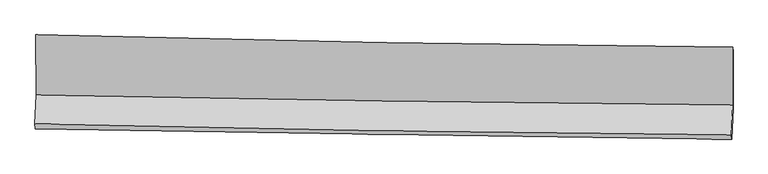
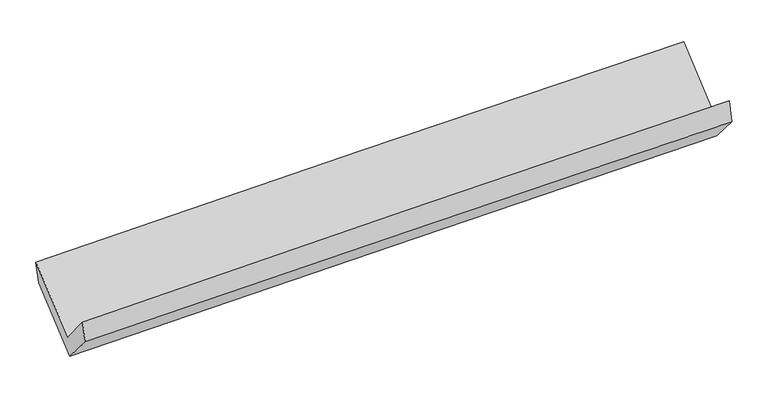
"""IFC4 building model written with IfcOpenShell, lengths in millimetres: proxy geometry."""

from ifc_helpers import new_model, si_unit, frame, origin, place, context, project, spatial, source, transform, mapped, element, save
from ifc_brep_helpers import plane_surface, spline_curve, spline_surface, advanced_brep


def generic_models_e8f4f929(model_context):
    return source(origin(), model_context, "Body", "AdvancedBrep", [
        advanced_brep(
        [(-3021.0117574, -1151.9099579, 2160.6242488), (-3019.6903096, -1672.3548408, 1731.2347327), (3009.737215, -1762.5334112, 1875.8610825), (3008.8326076, -1259.6602047, 2310.2133921), (-3030.1906818, -1925.0893003, 2038.7867535), (2999.1171622, -2018.4328237, 2187.2645521), (-3027.1606605, -1968.489515, 1867.7419115), (3002.3746969, -2057.1503311, 2000.6384044), (-3016.1880353, -1693.4946014, 1554.064459), (3012.9563869, -1792.0410578, 1698.2371808), (-3017.7431381, -1191.3193443, 1981.3515129), (3012.1928857, -1293.7348736, 2122.2591085)],
        [
            (0, 1),
            (1, 2, spline_curve(3, [(-3019.6903096, -1672.3548408, 1731.2347327), (-2015.149632502, -1694.349528031, 1766.98770088), (-1010.414058258, -1712.86185632, 1796.916541117), (999.395136345, -1742.921020948, 1845.124724468), (2004.468737357, -1754.468216295, 1863.404667534), (3009.737215, -1762.5334112, 1875.8610825)], [4, 2, 4], [0.0, 9.895981117621348, 19.791452665143467])),
            (2, 3),
            (3, 0, spline_curve(3, [(3008.8326076, -1259.6602047, 2310.2133921), (2003.381413704, -1251.793323291, 2300.933520806), (998.181717431, -1238.881056592, 2283.828345436), (-1011.766430322, -1202.964827274, 2233.966103962), (-2016.514855504, -1179.960345305, 2201.208231104), (-3021.0117574, -1151.9099579, 2160.6242488)], [4, 2, 4], [0.0, 9.895471547522119, 19.791452665143467])),
            (1, 4),
            (4, 5, spline_curve(3, [(-3030.1906818, -1925.0893003, 2038.7867535), (-2025.801522717, -1950.78623715, 2079.044988026), (-1021.151679691, -1971.413402599, 2111.547374169), (988.617628604, -2002.52738811, 2161.039174967), (1993.73706688, -2013.01473081, 2178.029388579), (2999.1171622, -2018.4328237, 2187.2645521)], [4, 2, 4], [0.0, 9.895330422409153, 19.790151308225084])),
            (5, 2),
            (4, 6),
            (6, 7, spline_curve(3, [(-3027.1606605, -1968.489515, 1867.7419115), (-2022.339319125, -1985.009931451, 1892.896668432), (-1017.454429938, -2000.658708952, 1916.549001366), (992.390695499, -2030.212224734, 1960.847677477), (1997.350925649, -2044.117052622, 1981.49417581), (3002.3746969, -2057.1503311, 2000.6384044)], [4, 2, 4], [0.0, 9.895004263656178, 19.789499007513907])),
            (7, 5),
            (6, 8),
            (8, 9, spline_curve(3, [(-3016.1880353, -1693.4946014, 1554.064459), (-2011.387905707, -1710.564162407, 1579.845609497), (-1006.546202149, -1727.311350911, 1604.750865179), (1003.168609466, -1760.160136732, 1652.808348886), (2008.041713117, -1776.261766805, 1675.960667349), (3012.9563869, -1792.0410578, 1698.2371808)], [4, 2, 4], [0.0, 9.894714710781892, 19.788919916675177])),
            (9, 7),
            (8, 10),
            (10, 11, spline_curve(3, [(-3017.7431381, -1191.3193443, 1981.3515129), (-2012.794523425, -1207.757165276, 2007.675397294), (-1007.812608711, -1224.510931063, 2032.5799048), (1002.166069434, -1258.649473373, 2079.548956889), (2007.162829287, -1276.034217457, 2101.613648187), (3012.1928857, -1293.7348736, 2122.2591085)], [4, 2, 4], [0.0, 9.89537562612328, 19.790241713325685])),
            (11, 9),
            (10, 0),
            (3, 11),
        ],
        [
            spline_surface(3, 3, [[(-3021.0117574, -1151.9099579, 2160.6242488), (-2016.514855562, -1179.96034515, 2201.208231183), (-1011.766430236, -1202.964827289, 2233.966103803), (998.181717345, -1238.881056576, 2283.828345595), (2003.381413662, -1251.793323382, 2300.933520786), (3008.8326076, -1259.6602047, 2310.2133921)], [(-3020.571274778, -1325.391585532, 2017.494410089), (-2016.059781152, -1351.423406073, 2056.468054377), (-1011.315639619, -1372.930503589, 2088.282916209), (998.586190411, -1406.894378067, 2137.593805231), (2003.743854913, -1419.351621015, 2155.090569718), (3009.1341434, -1427.284606888, 2165.429288911)], [(-3020.130792222, -1498.873213168, 1874.364571411), (-2015.604706808, -1522.886467, 1911.727877605), (-1010.864849038, -1542.896179904, 1942.599728645), (998.990663441, -1574.907699573, 1991.359264898), (2004.106296164, -1586.909918585, 2009.247618617), (3009.4356792, -1594.909009012, 2020.645185689)], [(-3019.6903096, -1672.3548408, 1731.2347327), (-2015.149632399, -1694.349527923, 1766.9877008), (-1010.414058421, -1712.861856203, 1796.916541051), (999.395136507, -1742.921021064, 1845.124724534), (2004.468737415, -1754.468216218, 1863.404667549), (3009.737215, -1762.5334112, 1875.8610825)]], [4, 4], [4, 2, 4], [0.0, 2.1978070182564076], [0.0, 9.895981117621348, 19.791452665143467]),
            spline_surface(3, 3, [[(-3019.6903096, -1672.3548408, 1731.2347327), (-2015.149632399, -1694.349527923, 1766.9877008), (-1010.414058421, -1712.861856203, 1796.916541051), (999.395136507, -1742.921021064, 1845.124724534), (2004.468737415, -1754.468216218, 1863.404667549), (3009.737215, -1762.5334112, 1875.8610825)], [(-3023.190433664, -1756.599660625, 1833.752072953), (-2018.700262479, -1779.828431044, 1871.006796566), (-1013.993265491, -1799.045704972, 1901.79348544), (995.802633851, -1829.456476779, 1950.429541369), (2000.891513905, -1840.650387723, 1968.279574519), (3006.197197403, -1847.83321534, 1979.662239025)], [(-3026.690557736, -1840.844480475, 1936.269413247), (-2022.250892566, -1865.307334191, 1975.025892374), (-1017.572472558, -1885.229553736, 2006.670429768), (992.210131198, -1915.991932489, 2055.734358143), (1997.314290384, -1926.83255931, 2073.154481515), (3002.657179797, -1933.13301956, 2083.463395575)], [(-3030.1906818, -1925.0893003, 2038.7867535), (-2025.801522647, -1950.786237312, 2079.044988141), (-1021.151679629, -1971.413402504, 2111.547374157), (988.617628542, -2002.527388204, 2161.039174978), (1993.737066874, -2013.014730815, 2178.029388485), (2999.1171622, -2018.4328237, 2187.2645521)]], [4, 4], [4, 2, 4], [0.0, 1.3392677582071042], [0.0, 9.895330422409153, 19.790151308225084]),
            spline_surface(3, 3, [[(-3030.1906818, -1925.0893003, 2038.7867535), (-2025.801522647, -1950.786237312, 2079.044988141), (-1021.151679629, -1971.413402504, 2111.547374157), (988.617628542, -2002.527388204, 2161.039174978), (1993.737066874, -2013.014730815, 2178.029388485), (2999.1171622, -2018.4328237, 2187.2645521)], [(-3029.180674709, -1939.556038544, 1981.771806187), (-2024.647454795, -1962.194135418, 2016.995548303), (-1019.91926311, -1981.16183802, 2046.547916532), (989.875317561, -2011.755667026, 2094.308675822), (1994.941686493, -2023.382171421, 2112.517650922), (3000.203007093, -2031.338659526, 2125.055836202)], [(-3028.170667591, -1954.022776756, 1924.756858813), (-2023.493386919, -1973.602033492, 1954.946108403), (-1018.686846574, -1990.910273519, 1981.548458932), (991.133006598, -2020.983945831, 2027.578176692), (1996.146306131, -2033.749611948, 2047.005913351), (3001.288852007, -2044.244495274, 2062.847120298)], [(-3027.1606605, -1968.489515, 1867.7419115), (-2022.339319068, -1985.009931598, 1892.896668565), (-1017.454430055, -2000.658709035, 1916.549001306), (992.390695616, -2030.212224652, 1960.847677537), (1997.35092575, -2044.117052554, 1981.494175788), (3002.3746969, -2057.1503311, 2000.6384044)]], [4, 4], [4, 2, 4], [0.0, 0.6550837460991035], [0.0, 9.895004263656178, 19.789499007513907]),
            spline_surface(3, 3, [[(-3027.1606605, -1968.489515, 1867.7419115), (-2022.339319068, -1985.009931598, 1892.896668565), (-1017.454430055, -2000.658709035, 1916.549001306), (992.390695616, -2030.212224652, 1960.847677537), (1997.35092575, -2044.117052554, 1981.494175788), (3002.3746969, -2057.1503311, 2000.6384044)], [(-3023.503118774, -1876.824543814, 1763.182760648), (-2018.688848009, -1893.528008595, 1788.546315562), (-1013.818354108, -1909.542923024, 1812.61628925), (995.983333569, -1940.194861968, 1858.167901313), (2000.914521575, -1954.831957348, 1879.649672942), (3005.901926909, -1968.780573328, 1899.837996525)], [(-3019.845577026, -1785.159572586, 1658.623609852), (-2015.03837693, -1802.04608555, 1684.195962613), (-1010.182278134, -1818.427137034, 1708.683577225), (999.575971551, -1850.177499304, 1755.488125121), (2004.478117375, -1865.546862158, 1777.805170123), (3009.429156891, -1880.410815572, 1799.037588675)], [(-3016.1880353, -1693.4946014, 1554.064459), (-2011.387905871, -1710.564162546, 1579.84560961), (-1006.546202187, -1727.311351023, 1604.750865168), (1003.168609504, -1760.16013662, 1652.808348897), (2008.041713201, -1776.261766952, 1675.960667277), (3012.9563869, -1792.0410578, 1698.2371808)]], [4, 4], [4, 2, 4], [0.0, 1.352677352105783], [0.0, 9.894714710781892, 19.788919916675177]),
            spline_surface(3, 3, [[(-3016.1880353, -1693.4946014, 1554.064459), (-2011.387905871, -1710.564162546, 1579.84560961), (-1006.546202187, -1727.311351023, 1604.750865168), (1003.168609504, -1760.16013662, 1652.808348897), (2008.041713201, -1776.261766952, 1675.960667277), (3012.9563869, -1792.0410578, 1698.2371808)], [(-3016.70640289, -1526.102849026, 1696.493476987), (-2011.85677834, -1542.961830118, 1722.455538804), (-1006.968337668, -1559.711211059, 1747.360545017), (1002.834429461, -1592.989915552, 1795.05521829), (2007.748751894, -1609.519250404, 1817.844994217), (3012.701886478, -1625.938996378, 1839.57782339)], [(-3017.22477051, -1358.711096674, 1838.922494913), (-2012.325650837, -1375.359497711, 1865.065467937), (-1007.390473161, -1392.11107104, 1889.970224815), (1002.500249407, -1425.819694428, 1937.302087633), (2007.455790653, -1442.77673392, 1959.729321087), (3012.447386122, -1459.836935022, 1980.91846591)], [(-3017.7431381, -1191.3193443, 1981.3515129), (-2012.794523305, -1207.757165283, 2007.675397131), (-1007.812608642, -1224.510931076, 2032.579904663), (1002.166069365, -1258.64947336, 2079.548957025), (2007.162829347, -1276.034217372, 2101.613648026), (3012.1928857, -1293.7348736, 2122.2591085)]], [4, 4], [4, 2, 4], [0.0, 2.1632004641935727], [0.0, 9.89537562612328, 19.790241713325685]),
            spline_surface(3, 3, [[(-3017.7431381, -1191.3193443, 1981.3515129), (-2012.794523305, -1207.757165283, 2007.675397131), (-1007.812608642, -1224.510931076, 2032.579904663), (1002.166069365, -1258.64947336, 2079.548957025), (2007.162829347, -1276.034217372, 2101.613648026), (3012.1928857, -1293.7348736, 2122.2591085)], [(-3018.832677885, -1178.18288216, 2041.109091536), (-2014.034634076, -1198.491558565, 2072.186341817), (-1009.130549173, -1217.328896467, 2099.708637702), (1000.837952026, -1252.060001085, 2147.642086541), (2005.902357468, -1267.953919382, 2168.053605593), (3011.072793017, -1282.376650639, 2184.910536347)], [(-3019.922217615, -1165.04642004, 2100.866670164), (-2015.274744791, -1189.225951868, 2136.697286496), (-1010.448489705, -1210.146861898, 2166.837370765), (999.509834685, -1245.470528851, 2215.735216079), (2004.64188554, -1259.873621373, 2234.493563219), (3009.952700283, -1271.018427661, 2247.561964253)], [(-3021.0117574, -1151.9099579, 2160.6242488), (-2016.514855562, -1179.96034515, 2201.208231183), (-1011.766430236, -1202.964827289, 2233.966103803), (998.181717345, -1238.881056576, 2283.828345595), (2003.381413662, -1251.793323382, 2300.933520786), (3008.8326076, -1259.6602047, 2310.2133921)]], [4, 4], [4, 2, 4], [0.0, 0.6690306698752535], [0.0, 9.896309331106949, 19.792109075214093]),
            plane_surface(frame((3007.5351591, -1697.2587837, 2032.4122867), z_axis=(0.9996528003840931, -0.016170651456189258, 0.020803574590029683), x_axis=(-0.001166903656943868, 0.7615904977918028, 0.6480575221452872))),
            plane_surface(frame((-3021.9974304, -1600.4429266, 1888.9672697), z_axis=(-0.999650467344233, 0.01526852104485804, -0.02158275708892051), x_axis=(0.01780464446370616, -0.21466865288980566, -0.976524635686165))),
        ],
        [
            (0, [[1, 2, 3, 4]]),
            (1, [[5, 6, 7, -2]]),
            (2, [[8, 9, 10, -6]]),
            (3, [[11, 12, 13, -9]]),
            (4, [[14, 15, 16, -12]]),
            (5, [[17, -4, 18, -15]]),
            (6, [[-16, -18, -3, -7, -10, -13]]),
            (7, [[-17, -14, -11, -8, -5, -1]]),
        ],
    ),
    ])


if __name__ == "__main__":
    model = new_model("IFC4")
    model_context = context("Model", 3, world=origin())
    ifc_project = project(units=[si_unit("LENGTHUNIT", "METRE", prefix="MILLI")], contexts=[model_context])
    site = spatial("IfcSite", under=ifc_project)
    building = spatial("IfcBuilding", under=site)
    placement = place(None, origin())
    generic_models_shape = generic_models_e8f4f929(model_context)
    element("IfcBuildingElementProxy", 1, Name="Generic Models", at=placement, inside=building, context=model_context, shape_type="MappedRepresentation", body=[
        mapped(generic_models_shape, transform((0.0, 0.0, 0.0), x_axis=(1.0, 0.0, 0.0), y_axis=(0.0, 1.0, 0.0), z_axis=(0.0, 0.0, 1.0))),
    ])
    save(model, "model.ifc")
